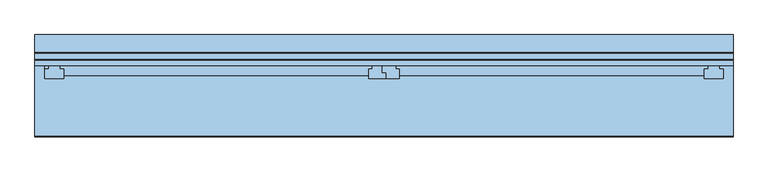
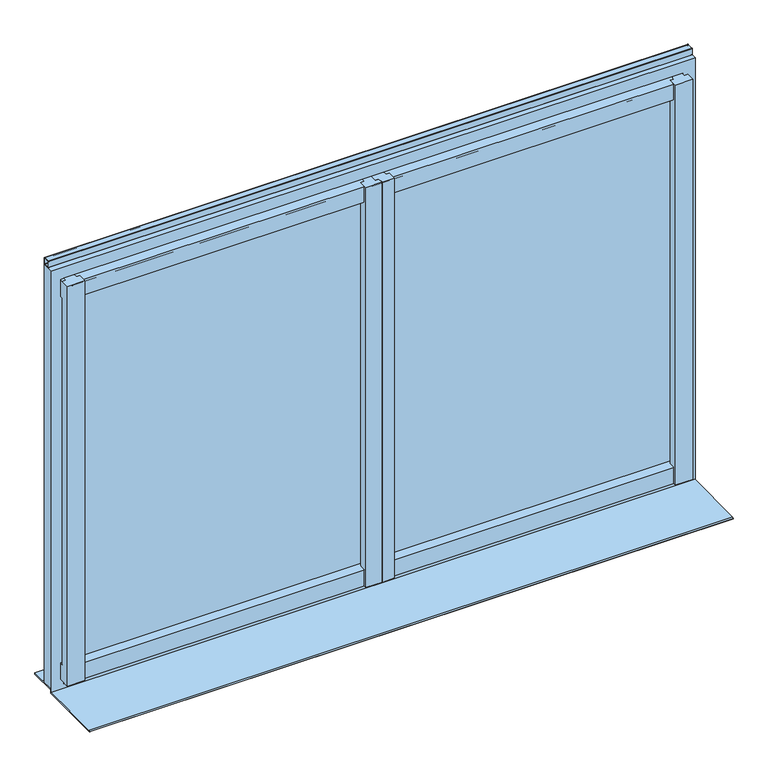
"""IFC4 building model written with IfcOpenShell, lengths in millimetres: window geometry."""

from ifc_helpers import new_model, si_unit, point, frame, frame_2d, origin, place, context, project, spatial, polyline, circle_curve, trimmed, segment, composite_curve, outline, extrude, faceted_brep, source, transform, mapped, element, save


def window_bb7c8ea8(model_context):
    return source(origin(), model_context, "Body", "SolidModel", [
        extrude(outline(composite_curve([segment(polyline([(-4968.9639151, 5209.32), (-4950.9639151, 5209.32)]), True, "CONTINUOUS"), segment(trimmed(circle_curve(frame_2d((-4950.9639151, 5208.32)), 1.0), [point((-4950.9639151, 5209.32))], [point((-4949.9639151, 5208.32))], False, "CARTESIAN"), True, "CONTINUOUS"), segment(polyline([(-4949.9639151, 5208.32), (-4949.9639151, 5190.32)]), True, "CONTINUOUS"), segment(trimmed(circle_curve(frame_2d((-4950.9639151, 5190.32)), 1.0), [point((-4949.9639151, 5190.32))], [point((-4950.9639151, 5189.32))], False, "CARTESIAN"), True, "CONTINUOUS"), segment(polyline([(-4950.9639151, 5189.32), (-4968.9639151, 5189.32)]), True, "CONTINUOUS"), segment(trimmed(circle_curve(frame_2d((-4968.9639151, 5190.32)), 1.0), [point((-4968.9639151, 5189.32))], [point((-4969.9639151, 5190.32))], False, "CARTESIAN"), True, "CONTINUOUS"), segment(polyline([(-4969.9639151, 5190.32), (-4969.9639151, 5208.32)]), True, "CONTINUOUS"), segment(trimmed(circle_curve(frame_2d((-4968.9639151, 5208.32)), 1.0), [point((-4969.9639151, 5208.32))], [point((-4968.9639151, 5209.32))], False, "CARTESIAN"), True, "CONTINUOUS")], self_intersect=False), holes=[composite_curve([segment(trimmed(circle_curve(frame_2d((-4966.9639151, 5206.32)), 1.0), [point((-4966.9639151, 5207.32))], [point((-4967.9639151, 5206.32))], True, "CARTESIAN"), True, "CONTINUOUS"), segment(polyline([(-4967.9639151, 5206.32), (-4967.9639151, 5192.32)]), True, "CONTINUOUS"), segment(trimmed(circle_curve(frame_2d((-4966.9639151, 5192.32)), 1.0), [point((-4967.9639151, 5192.32))], [point((-4966.9639151, 5191.32))], True, "CARTESIAN"), True, "CONTINUOUS"), segment(polyline([(-4966.9639151, 5191.32), (-4952.9639151, 5191.32)]), True, "CONTINUOUS"), segment(trimmed(circle_curve(frame_2d((-4952.9639151, 5192.32)), 1.0), [point((-4952.9639151, 5191.32))], [point((-4951.9639151, 5192.32))], True, "CARTESIAN"), True, "CONTINUOUS"), segment(polyline([(-4951.9639151, 5192.32), (-4951.9639151, 5206.32)]), True, "CONTINUOUS"), segment(trimmed(circle_curve(frame_2d((-4952.9639151, 5206.32)), 1.0), [point((-4951.9639151, 5206.32))], [point((-4952.9639151, 5207.32))], True, "CARTESIAN"), True, "CONTINUOUS"), segment(polyline([(-4952.9639151, 5207.32), (-4966.9639151, 5207.32)]), True, "CONTINUOUS")], self_intersect=False)]), frame((1849.1340729, 0.0, 0.0), z_axis=(1.0, 0.0, 0.0), x_axis=(0.0, 1.0, 0.0)), (0.0, 0.0, 1.0), 1840.0),
        faceted_brep([(1875.1340729, -4969.9639151, 5164.32), (1875.1340729, -4980.9639151, 5164.32), (3653.1340729, -4980.9639151, 5164.32), (3653.1340729, -4969.9639151, 5164.32), (1875.1340729, -4980.9639151, 5154.32), (1885.1340729, -4980.9639151, 5154.32), (1915.1340729, -4980.9639151, 5154.32), (2738.6340729, -4980.9639151, 5154.32), (2763.6340729, -4980.9639151, 5154.32), (2764.6340729, -4980.9639151, 5154.32), (2799.6340729, -4980.9639151, 5154.32), (3623.1340729, -4980.9639151, 5154.32), (3653.1340729, -4980.9639151, 5154.32), (1875.1340729, -4993.9639151, 5152.9751724), (1885.1340729, -4993.9639151, 5152.9751724), (1915.1340729, -4993.9381503, 5152.9778377), (1925.1340729, -4993.9381503, 5152.9778377), (1925.1340729, -5009.9639151, 5151.32), (2728.6340729, -5009.9639151, 5151.32), (2728.6340729, -4993.9381503, 5152.9778377), (2738.6340729, -4993.9381503, 5152.9778377), (2763.6340729, -5003.9381503, 5151.943355), (2773.6340729, -5003.9381503, 5151.943355), (2773.6340729, -5009.9639151, 5151.32), (2774.6340729, -5009.9639151, 5151.32), (2774.6340729, -5002.9123855, 5152.0494686), (2764.6340729, -5002.9123855, 5152.0494686), (2799.6340729, -4993.9381503, 5152.9778377), (2809.6340729, -4993.9381503, 5152.9778377), (2809.6340729, -5009.9639151, 5151.32), (3613.1340729, -5009.9639151, 5151.32), (3613.1340729, -4993.9381503, 5152.9778377), (3623.1340729, -4993.9381503, 5152.9778377), (2809.6340729, -5009.9639151, 5104.32), (3613.1340729, -5009.9639151, 5104.32), (2773.6340729, -5009.9639151, 5104.32), (2774.6340729, -5009.9639151, 5104.32), (1925.1340729, -5009.9639151, 5104.32), (2728.6340729, -5009.9639151, 5104.32), (1875.1340729, -4993.9639151, 5104.32), (1875.1340729, -4983.9639151, 5104.32), (1885.1340729, -4983.9639151, 5104.32), (1885.1340729, -4993.9639151, 5104.32), (2809.6340729, -4993.9381503, 5104.32), (2799.6340729, -4993.9381503, 5104.32), (2799.6340729, -4983.9639151, 5104.32), (3623.1340729, -4983.9639151, 5104.32), (3623.1340729, -4993.9381503, 5104.32), (3613.1340729, -4993.9381503, 5104.32), (2773.6340729, -5003.9381503, 5104.32), (2763.6340729, -5003.9381503, 5104.32), (2763.6340729, -4983.9639151, 5104.32), (2764.6340729, -4983.9639151, 5104.32), (2764.6340729, -5002.9123855, 5104.32), (2774.6340729, -5002.9123855, 5104.32), (1925.1340729, -4993.9381503, 5104.32), (1915.1340729, -4993.9381503, 5104.32), (1915.1340729, -4983.9639151, 5104.32), (2738.6340729, -4983.9639151, 5104.32), (2738.6340729, -4993.9381503, 5104.32), (2728.6340729, -4993.9381503, 5104.32), (1875.1340729, -4983.9639151, 5114.32), (1885.1340729, -4983.9639151, 5114.32), (2799.6340729, -4983.9639151, 5114.32), (3623.1340729, -4983.9639151, 5114.32), (2763.6340729, -4983.9639151, 5114.32), (2764.6340729, -4983.9639151, 5114.32), (1915.1340729, -4983.9639151, 5114.32), (2738.6340729, -4983.9639151, 5114.32), (1875.1340729, -4969.9639151, 5114.32), (3653.1340729, -4969.9639151, 5114.32), (3653.1340729, -4978.9639151, 5114.32), (3623.1340729, -4978.9639151, 5114.32), (2799.6340729, -4978.9639151, 5114.32), (2764.6340729, -4978.9639151, 5114.32), (2763.6340729, -4978.9639151, 5114.32), (2738.6340729, -4978.9639151, 5114.32), (1915.1340729, -4978.9639151, 5114.32), (1885.1340729, -4978.9639151, 5114.32), (1875.1340729, -4983.9639151, 3994.7393506), (1875.1340729, -4993.9639151, 3993.9701198), (1885.1340729, -4993.9639151, 3993.9701198), (1885.1340729, -4983.9639151, 3994.7393506), (3623.1340729, -4983.9639151, 3994.7393506), (2799.6340729, -4983.9639151, 3994.7393506), (2799.6340729, -4993.9381503, 3993.9721017), (2809.6340729, -4993.9381503, 3993.9721017), (2809.6340729, -5009.9639151, 3992.7393506), (3613.1340729, -5009.9639151, 3992.7393506), (3613.1340729, -4993.9381503, 3993.9721017), (3623.1340729, -4993.9381503, 3993.9721017), (2764.6340729, -4983.9639151, 3994.7393506), (2763.6340729, -4983.9639151, 3994.7393506), (2763.6340729, -5003.9381503, 3993.2028709), (2773.6340729, -5003.9381503, 3993.2028709), (2773.6340729, -5009.9639151, 3992.7393506), (2774.6340729, -5009.9639151, 3992.7393506), (2774.6340729, -5002.9123855, 3993.2817759), (2764.6340729, -5002.9123855, 3993.2817759), (2738.6340729, -4983.9639151, 3994.7393506), (1915.1340729, -4983.9639151, 3994.7393506), (1915.1340729, -4993.9381503, 3993.9721017), (1925.1340729, -4993.9381503, 3993.9721017), (1925.1340729, -5009.9639151, 3992.7393506), (2728.6340729, -5009.9639151, 3992.7393506), (2728.6340729, -4993.9381503, 3993.9721017), (2738.6340729, -4993.9381503, 3993.9721017), (2809.6340729, -5009.9639151, 3944.7393506), (3613.1340729, -5009.9639151, 3944.7393506), (2773.6340729, -5009.9639151, 3944.7393506), (2774.6340729, -5009.9639151, 3944.7393506), (1925.1340729, -5009.9639151, 3944.7393506), (2728.6340729, -5009.9639151, 3944.7393506), (1875.1340729, -4984.9639151, 3944.7393506), (1875.1340729, -4984.9639151, 3954.7393506), (1885.1340729, -4984.9639151, 3954.7393506), (1885.1340729, -4984.9639151, 3944.7393506), (2738.6340729, -4984.9639151, 3944.7393506), (1915.1340729, -4984.9639151, 3944.7393506), (1915.1340729, -4984.9639151, 3954.7393506), (2738.6340729, -4984.9639151, 3954.7393506), (2764.6340729, -4984.9639151, 3944.7393506), (2763.6340729, -4984.9639151, 3944.7393506), (2763.6340729, -4984.9639151, 3954.7393506), (2764.6340729, -4984.9639151, 3954.7393506), (3623.1340729, -4984.9639151, 3944.7393506), (2799.6340729, -4984.9639151, 3944.7393506), (2799.6340729, -4984.9639151, 3954.7393506), (3623.1340729, -4984.9639151, 3954.7393506), (1875.1340729, -4969.9639151, 3954.7393506), (3653.1340729, -4969.9639151, 3954.7393506), (3653.1340729, -4978.9639151, 3954.7393506), (3623.1340729, -4978.9639151, 3954.7393506), (2799.6340729, -4978.9639151, 3954.7393506), (2764.6340729, -4978.9639151, 3954.7393506), (2763.6340729, -4978.9639151, 3954.7393506), (2738.6340729, -4978.9639151, 3954.7393506), (1915.1340729, -4978.9639151, 3954.7393506), (1885.1340729, -4978.9639151, 3954.7393506), (1875.1340729, -4969.9639151, 3984.7393506), (3653.1340729, -4969.9639151, 3984.7393506), (1875.1340729, -4983.9639151, 3984.7393506), (1885.1340729, -4983.9639151, 3984.7393506), (1885.1340729, -4978.9639151, 3984.7393506), (1915.1340729, -4978.9639151, 3984.7393506), (1915.1340729, -4983.9639151, 3984.7393506), (2738.6340729, -4983.9639151, 3984.7393506), (2738.6340729, -4978.9639151, 3984.7393506), (2763.6340729, -4978.9639151, 3984.7393506), (2763.6340729, -4983.9639151, 3984.7393506), (2764.6340729, -4983.9639151, 3984.7393506), (2764.6340729, -4978.9639151, 3984.7393506), (2799.6340729, -4978.9639151, 3984.7393506), (2799.6340729, -4983.9639151, 3984.7393506), (3623.1340729, -4983.9639151, 3984.7393506), (3623.1340729, -4978.9639151, 3984.7393506), (3653.1340729, -4978.9639151, 3984.7393506), (3663.1340729, -4993.9639151, 5154.32), (3653.1340729, -4993.9639151, 5154.32), (3623.1340729, -4993.9381503, 5154.32), (3613.1340729, -4993.9381503, 5154.32), (3613.1340729, -5018.9639151, 5154.32), (3663.1340729, -5018.9639151, 5154.32), (2764.6340729, -5002.9123855, 5154.32), (2774.6340729, -5002.9123855, 5154.32), (2774.6340729, -5018.9639151, 5154.32), (2809.6340729, -5018.9639151, 5154.32), (2809.6340729, -4993.9381503, 5154.32), (2799.6340729, -4993.9381503, 5154.32), (2773.6340729, -5018.9639151, 5154.32), (2773.6340729, -5003.9381503, 5154.32), (2763.6340729, -5003.9381503, 5154.32), (2738.6340729, -4993.9381503, 5154.32), (2728.6340729, -4993.9381503, 5154.32), (2728.6340729, -5018.9639151, 5154.32), (1875.1340729, -4993.9639151, 5154.32), (1875.1340729, -5018.9639151, 5154.32), (1925.1340729, -5018.9639151, 5154.32), (1925.1340729, -4993.9381503, 5154.32), (1915.1340729, -4993.9381503, 5154.32), (1885.1340729, -4993.9639151, 5154.32), (3663.1340729, -4993.9639151, 3944.7393506), (3663.1340729, -5018.9639151, 3944.7393506), (3613.1340729, -5018.9639151, 3944.7393506), (2809.6340729, -5018.9639151, 3944.7393506), (2774.6340729, -5018.9639151, 3944.7393506), (2773.6340729, -5018.9639151, 3944.7393506), (2728.6340729, -5018.9639151, 3944.7393506), (1925.1340729, -5018.9639151, 3944.7393506), (1875.1340729, -5018.9639151, 3944.7393506), (1885.1340729, -4978.9639151, 3944.7393506), (1915.1340729, -4978.9639151, 3944.7393506), (2738.6340729, -4978.9639151, 3944.7393506), (2763.6340729, -4978.9639151, 3944.7393506), (2764.6340729, -4978.9639151, 3944.7393506), (2799.6340729, -4978.9639151, 3944.7393506), (3623.1340729, -4978.9639151, 3944.7393506), (3653.1340729, -4978.9639151, 3944.7393506), (3653.1340729, -4993.9639151, 3944.7393506)], [[[0, 1, 2, 3]], [[1, 4, 5, 6, 7, 8, 9, 10, 11, 12, 2]], [[5, 4, 13, 14]], [[7, 6, 15, 16, 17, 18, 19, 20]], [[9, 8, 21, 22, 23, 24, 25, 26]], [[11, 10, 27, 28, 29, 30, 31, 32]], [[30, 29, 33, 34]], [[24, 23, 35, 36]], [[18, 17, 37, 38]], [[39, 40, 41, 42]], [[34, 33, 43, 44, 45, 46, 47, 48]], [[36, 35, 49, 50, 51, 52, 53, 54]], [[38, 37, 55, 56, 57, 58, 59, 60]], [[40, 61, 62, 41]], [[46, 45, 63, 64]], [[52, 51, 65, 66]], [[58, 57, 67, 68]], [[61, 69, 70, 71, 72, 64, 63, 73, 74, 66, 65, 75, 76, 68, 67, 77, 78, 62]], [[69, 0, 3, 70]], [[79, 80, 81, 82]], [[83, 84, 85, 86, 87, 88, 89, 90]], [[91, 92, 93, 94, 95, 96, 97, 98]], [[99, 100, 101, 102, 103, 104, 105, 106]], [[107, 108, 88, 87]], [[109, 110, 96, 95]], [[111, 112, 104, 103]], [[113, 114, 115, 116]], [[117, 118, 119, 120]], [[121, 122, 123, 124]], [[125, 126, 127, 128]], [[114, 129, 130, 131, 132, 128, 127, 133, 134, 124, 123, 135, 136, 120, 119, 137, 138, 115]], [[129, 139, 140, 130]], [[139, 141, 142, 143, 144, 145, 146, 147, 148, 149, 150, 151, 152, 153, 154, 155, 156, 140]], [[141, 79, 82, 142]], [[84, 83, 154, 153]], [[92, 91, 150, 149]], [[100, 99, 146, 145]], [[157, 158, 12, 11, 159, 160, 161, 162]], [[163, 164, 165, 166, 167, 168, 10, 9]], [[169, 170, 171, 8, 7, 172, 173, 174]], [[175, 176, 177, 178, 179, 6, 5, 180]], [[181, 182, 183, 108, 107, 184, 185, 110, 109, 186, 187, 112, 111, 188, 189, 113, 116, 190, 191, 118, 117, 192, 193, 122, 121, 194, 195, 126, 125, 196, 197, 198]], [[198, 158, 157, 181]], [[12, 158, 198, 197, 131, 130, 140, 156, 71, 70, 3, 2]], [[197, 196, 132, 131]], [[71, 156, 155, 72]], [[159, 11, 32]], [[196, 125, 128, 132]], [[72, 155, 154, 83, 90, 47, 46, 64]], [[160, 159, 32, 31]], [[47, 90, 89, 48]], [[161, 160, 31, 30, 34, 48, 89, 88, 108, 183]], [[162, 161, 183, 182]], [[157, 162, 182, 181]], [[195, 194, 134, 133]], [[73, 152, 151, 74]], [[163, 9, 26]], [[194, 121, 124, 134]], [[74, 151, 150, 91, 98, 53, 52, 66]], [[164, 163, 26, 25]], [[53, 98, 97, 54]], [[165, 164, 25, 24, 36, 54, 97, 96, 110, 185]], [[166, 165, 185, 184]], [[167, 166, 184, 107, 87, 86, 43, 33, 29, 28]], [[168, 167, 28, 27]], [[43, 86, 85, 44]], [[10, 168, 27]], [[126, 195, 133, 127]], [[152, 73, 63, 45, 44, 85, 84, 153]], [[170, 169, 186, 109, 95, 94, 49, 35, 23, 22]], [[171, 170, 22, 21]], [[49, 94, 93, 50]], [[8, 171, 21]], [[122, 193, 135, 123]], [[50, 93, 92, 149, 148, 75, 65, 51]], [[193, 192, 136, 135]], [[75, 148, 147, 76]], [[172, 7, 20]], [[192, 117, 120, 136]], [[76, 147, 146, 99, 106, 59, 58, 68]], [[173, 172, 20, 19]], [[59, 106, 105, 60]], [[174, 173, 19, 18, 38, 60, 105, 104, 112, 187]], [[169, 174, 187, 186]], [[176, 175, 13, 4, 1, 0, 69, 61, 40, 39, 80, 79, 141, 139, 129, 114, 113, 189]], [[177, 176, 189, 188]], [[178, 177, 188, 111, 103, 102, 55, 37, 17, 16]], [[179, 178, 16, 15]], [[55, 102, 101, 56]], [[6, 179, 15]], [[118, 191, 137, 119]], [[56, 101, 100, 145, 144, 77, 67, 57]], [[191, 190, 138, 137]], [[77, 144, 143, 78]], [[180, 5, 14]], [[190, 116, 115, 138]], [[78, 143, 142, 82, 81, 42, 41, 62]], [[175, 180, 14, 13]], [[80, 39, 42, 81]]]),
        faceted_brep([(3654.1340729, -4984.4639151, 5154.82), (1884.1340729, -4984.4639151, 5154.82), (1884.1340729, -4981.9639151, 5154.82), (1852.1340729, -4981.9639151, 5154.82), (1852.1340729, -4981.4639151, 5154.82), (3686.1340729, -4981.4639151, 5154.82), (3686.1340729, -4981.9639151, 5154.82), (3654.1340729, -4981.9639151, 5154.82), (1852.1340729, -4981.4639151, 5186.32), (3686.1340729, -4981.4639151, 5186.32), (1852.1340729, -4949.9639151, 5186.32), (3686.1340729, -4949.9639151, 5186.32), (3689.1340729, -4949.9639151, 5189.32), (1849.1340729, -4949.9639151, 5189.32), (1849.1340729, -4984.4639151, 5189.32), (3689.1340729, -4984.4639151, 5189.32), (1884.1340729, -4984.4639151, 3927.7393506), (1884.1340729, -4981.9639151, 3927.7393506), (1852.1340729, -4981.9639151, 3927.7393506), (1852.1340729, -4974.9639151, 3954.2393506), (1852.1340729, -4952.9639151, 3954.2393506), (1852.1340729, -4952.9639151, 3959.2393506), (1852.1340729, -4949.9639151, 3959.2393506), (1852.1340729, -4952.9639151, 3927.7393506), (1852.1340729, -4952.9639151, 3951.2393506), (1852.1340729, -4974.9639151, 3951.2393506), (3686.1340729, -4952.9639151, 3954.2393506), (3686.1340729, -4974.9639151, 3954.2393506), (3686.1340729, -4974.9639151, 3951.2393506), (3686.1340729, -4952.9639151, 3951.2393506), (3686.1340729, -4952.9639151, 3927.7393506), (3686.1340729, -4981.9639151, 3927.7393506), (3686.1340729, -4949.9639151, 3959.2393506), (3686.1340729, -4952.9639151, 3959.2393506), (3654.1340729, -4981.9639151, 3927.7393506), (3654.1340729, -4984.4639151, 3927.7393506), (1849.1340729, -4949.9639151, 3924.5631649), (1849.1340729, -4981.4639151, 3924.5631649), (1849.1340729, -4981.4639151, 3915.2207232), (1849.1340729, -4984.4639151, 3915.1907232), (3689.1340729, -4984.4639151, 3915.1907232), (3689.1340729, -4981.4639151, 3915.2207232), (3689.1340729, -4981.4639151, 3924.5631649), (3689.1340729, -4949.9639151, 3924.5631649)], [[[0, 1, 2, 3, 4, 5, 6, 7]], [[5, 4, 8, 9]], [[10, 11, 9, 8]], [[12, 13, 14, 15]], [[16, 17, 2, 1]], [[17, 18, 3, 2]], [[19, 20, 21, 22, 10, 8, 4, 3, 18, 23, 24, 25]], [[26, 27, 28, 29, 30, 31, 6, 5, 9, 11, 32, 33]], [[31, 34, 7, 6]], [[34, 35, 0, 7]], [[13, 36, 37, 38, 39, 14]], [[15, 40, 41, 42, 43, 12]], [[26, 20, 19, 27]], [[27, 19, 25, 28]], [[28, 25, 24, 29]], [[29, 24, 23, 30]], [[30, 23, 18, 17, 16, 35, 34, 31]], [[39, 40, 15, 14], [16, 1, 0, 35]], [[39, 38, 41, 40]], [[38, 37, 42, 41]], [[37, 36, 43, 42]], [[43, 36, 13, 12], [32, 11, 10, 22]], [[32, 22, 21, 33]], [[20, 26, 33, 21]]]),
        extrude(outline(composite_curve([segment(polyline([(-4979.9639151, 3984.7393506), (-4979.9639151, 3994.7393506), (-4971.9629757, 3994.7393506)]), True, "CONTINUOUS"), segment(trimmed(circle_curve(frame_2d((-4971.9629757, 3992.7393506)), 2.0), [point((-4971.9629757, 3994.7393506))], [point((-4969.9639151, 3992.6780575))], False, "CARTESIAN"), True, "CONTINUOUS"), segment(polyline([(-4969.9639151, 3992.6780575), (-4969.9639151, 3986.6780575)]), True, "CONTINUOUS"), segment(trimmed(circle_curve(frame_2d((-4971.9629757, 3986.7393506)), 2.0), [point((-4969.9639151, 3986.6780575))], [point((-4971.9629757, 3984.7393506))], False, "CARTESIAN"), True, "CONTINUOUS"), segment(polyline([(-4971.9629757, 3984.7393506), (-4979.9639151, 3984.7393506)]), True, "CONTINUOUS")], self_intersect=False)), frame((1915.1340729, 0.0, 0.0), z_axis=(1.0, 0.0, 0.0), x_axis=(0.0, 1.0, 0.0)), (0.0, 0.0, 1.0), 1708.0),
        extrude(outline(composite_curve([segment(polyline([(-4979.9639151, 5114.32), (-4971.9629757, 5114.32)]), True, "CONTINUOUS"), segment(trimmed(circle_curve(frame_2d((-4971.9629757, 5112.32)), 2.0), [point((-4971.9629757, 5114.32))], [point((-4969.9639151, 5112.3812931))], False, "CARTESIAN"), True, "CONTINUOUS"), segment(polyline([(-4969.9639151, 5112.3812931), (-4969.9639151, 5106.3812931)]), True, "CONTINUOUS"), segment(trimmed(circle_curve(frame_2d((-4971.9629757, 5106.32)), 2.0), [point((-4969.9639151, 5106.3812931))], [point((-4971.9629757, 5104.32))], False, "CARTESIAN"), True, "CONTINUOUS"), segment(polyline([(-4971.9629757, 5104.32), (-4979.9639151, 5104.32), (-4979.9639151, 5114.32)]), True, "CONTINUOUS")], self_intersect=False)), frame((1915.1340729, 0.0, 0.0), z_axis=(1.0, 0.0, 0.0), x_axis=(0.0, 1.0, 0.0)), (0.0, 0.0, 1.0), 1708.0),
        extrude(outline(polyline([(3689.1340729, -4902.9639151), (3689.1340729, -4980.9639151), (1849.1340729, -4980.9639151), (1849.1340729, -4902.9639151), (3689.1340729, -4902.9639151)])), frame((0.0, 0.0, 3919.5659965), z_axis=(0.0, 0.0, 1.0), x_axis=(1.0, 0.0, 0.0)), (0.0, 0.0, 1.0), 4.9971684),
        extrude(outline(composite_curve([segment(polyline([(-4981.4639151, 3914.99215), (-4981.4639151, 3909.32), (-5172.9639151, 3909.32), (-5172.9639151, 3910.107)]), True, "CONTINUOUS"), segment(trimmed(circle_curve(frame_2d((-5169.9639151, 3910.107)), 3.0), [point((-5172.9639151, 3910.107))], [point((-5169.9939136, 3913.10685))], False, "CARTESIAN"), True, "CONTINUOUS"), segment(polyline([(-5169.9939136, 3913.10685), (-4981.4639151, 3914.99215)]), True, "CONTINUOUS")], self_intersect=False)), frame((1849.1340729, 0.0, 0.0), z_axis=(1.0, 0.0, 0.0), x_axis=(0.0, 1.0, 0.0)), (0.0, 0.0, 1.0), 1840.0),
        extrude(outline(polyline([(3653.1340729, -4979.9639151), (3653.1340729, -4983.9639151), (1885.1340729, -4983.9639151), (1885.1340729, -4979.9639151), (3653.1340729, -4979.9639151)])), frame((0.0, 0.0, 3986.7393506), z_axis=(0.0, 0.0, 1.0), x_axis=(1.0, 0.0, 0.0)), (0.0, 0.0, 1.0), 1125.5806494),
    ])


if __name__ == "__main__":
    model = new_model("IFC4")
    model_context = context("Model", 3, world=origin())
    ifc_project = project(units=[si_unit("LENGTHUNIT", "METRE", prefix="MILLI")], contexts=[model_context])
    site = spatial("IfcSite", under=ifc_project)
    building = spatial("IfcBuilding", under=site)
    placement = place(None, origin())
    window_shape = window_bb7c8ea8(model_context)
    element("IfcWindow", 1, at=placement, inside=building, context=model_context, shape_type="MappedRepresentation", body=[
        mapped(window_shape, transform((0.0, 0.0, 0.0), x_axis=(1.0, 0.0, 0.0), y_axis=(0.0, 1.0, 0.0), z_axis=(0.0, 0.0, 1.0))),
    ])
    save(model, "model.ifc")
